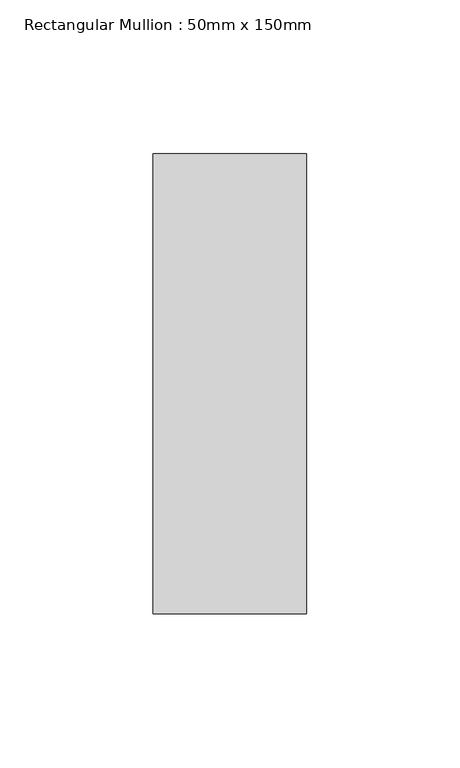
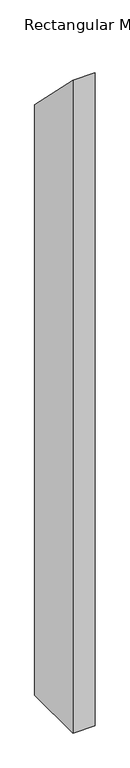
"""IFC4 building model written with IfcOpenShell, lengths in millimetres: member geometry, Rectangular Mullion : 50mm x 150mm."""

from ifc_helpers import new_model, si_unit, frame, origin, place, context, project, spatial, polyline, outline, extrude, source, transform, mapped, element, save


def rectangular_mullion_50mm_x_150mm_57e60bfb(model_context):
    return source(origin(), model_context, "Body", "SweptSolid", [
        extrude(outline(polyline([(-75.0, 75.0), (75.0, -75.0), (75.0, -1485.7142859), (-75.0, -1485.7142859), (-75.0, 75.0)])), frame((-50.0, 0.0, 0.0), z_axis=(1.0, 0.0, 0.0), x_axis=(0.0, 1.0, 0.0)), (0.0, 0.0, 1.0), 50.0),
    ])


if __name__ == "__main__":
    model = new_model("IFC4")
    model_context = context("Model", 3, world=origin())
    ifc_project = project(units=[si_unit("LENGTHUNIT", "METRE", prefix="MILLI")], contexts=[model_context])
    site = spatial("IfcSite", under=ifc_project)
    building = spatial("IfcBuilding", under=site)
    placement = place(None, origin())
    rectangular_mullion_50mm_x_150mm_shape = rectangular_mullion_50mm_x_150mm_57e60bfb(model_context)
    element("IfcMember", 1, ObjectType="Rectangular Mullion : 50mm x 150mm", at=placement, inside=building, context=model_context, shape_type="MappedRepresentation", body=[
        mapped(rectangular_mullion_50mm_x_150mm_shape, transform((0.0, 0.0, 0.0), x_axis=(1.0, 0.0, 0.0), y_axis=(0.0, 1.0, 0.0), z_axis=(0.0, 0.0, 1.0))),
    ])
    save(model, "model.ifc")
